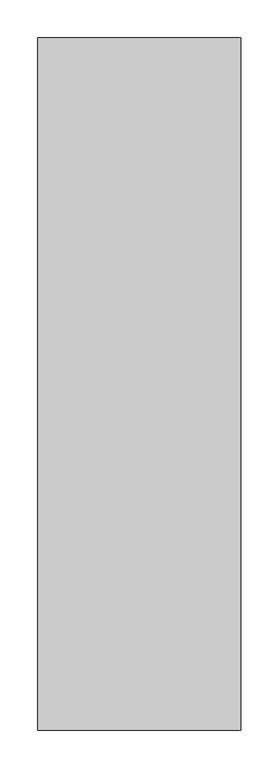
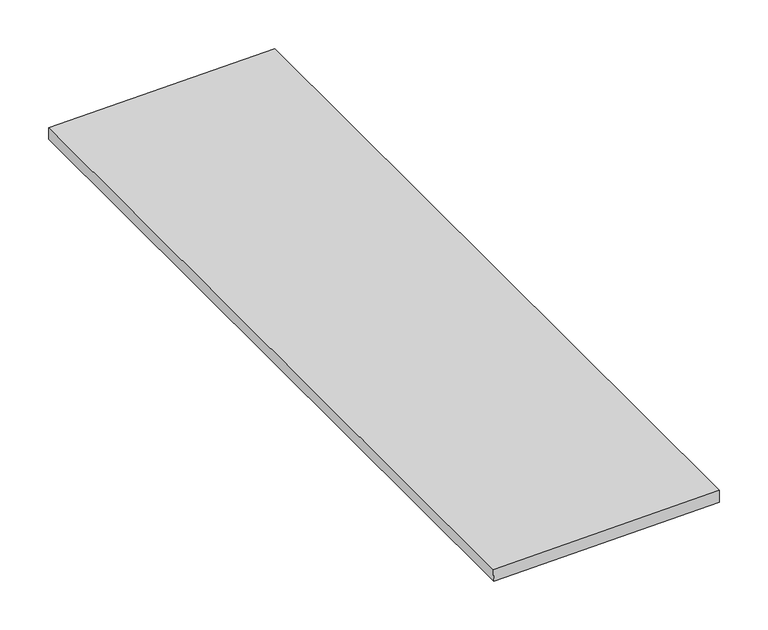
"""IFC4 building model written with IfcOpenShell, lengths in millimetres: proxy geometry."""

from ifc_helpers import new_model, si_unit, frame, origin, place, context, project, spatial, polyline, outline, extrude, source, transform, mapped, element, save


def generic_models_3903bf47(model_context):
    return source(origin(), model_context, "Body", "SweptSolid", [
        extrude(outline(polyline([(2925.721133, 39491.9052492), (2920.1329532, 39223.6726164), (2905.6197071, 39223.9749757), (2911.2015878, 39491.9052492), (2925.721133, 39491.9052492)])), frame((0.0, -25196.3529946, 0.0), z_axis=(0.0, 1.0, 0.0), x_axis=(0.0, 0.0, 1.0)), (0.0, 0.0, 1.0), 914.4),
    ])


if __name__ == "__main__":
    model = new_model("IFC4")
    model_context = context("Model", 3, world=origin())
    ifc_project = project(units=[si_unit("LENGTHUNIT", "METRE", prefix="MILLI")], contexts=[model_context])
    site = spatial("IfcSite", under=ifc_project)
    building = spatial("IfcBuilding", under=site)
    placement = place(None, origin())
    generic_models_shape = generic_models_3903bf47(model_context)
    element("IfcBuildingElementProxy", 1, Name="Generic Models", at=placement, inside=building, context=model_context, shape_type="MappedRepresentation", body=[
        mapped(generic_models_shape, transform((0.0, 0.0, 0.0), x_axis=(1.0, 0.0, 0.0), y_axis=(0.0, 1.0, 0.0), z_axis=(0.0, 0.0, 1.0))),
    ])
    save(model, "model.ifc")
